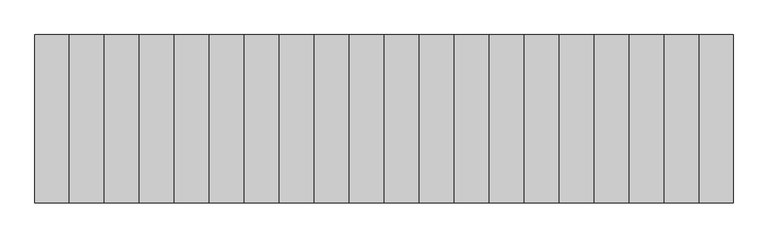
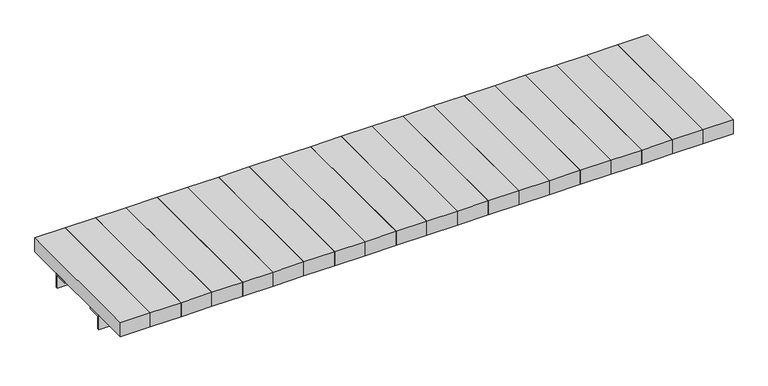
"""IFC4 building model written with IfcOpenShell, lengths in millimetres: furniture geometry."""

from ifc_helpers import new_model, si_unit, point, frame, frame_2d, origin, origin_with_axes, place, context, project, spatial, polyline, circle_curve, trimmed, segment, composite_curve, outline, extrude, source, transform, mapped, element, save


def furniture_27bdd92a(model_context):
    return source(origin(), model_context, "Body", "SweptSolid", [
        extrude(outline(polyline([(83.0, -200.0), (0.0, -200.0), (0.0, 200.0), (83.0, 200.0), (83.0, -200.0)])), frame((0.0, 0.0, 41.0), z_axis=(0.0, 0.0, 1.0), x_axis=(1.0, 0.0, 0.0)), (0.0, 0.0, 1.0), 40.0),
        extrude(outline(polyline([(166.0, -200.0), (83.0, -200.0), (83.0, 200.0), (166.0, 200.0), (166.0, -200.0)])), frame((0.0, 0.0, 41.0), z_axis=(0.0, 0.0, 1.0), x_axis=(1.0, 0.0, 0.0)), (0.0, 0.0, 1.0), 40.0),
        extrude(outline(polyline([(249.0, -200.0), (166.0, -200.0), (166.0, 200.0), (249.0, 200.0), (249.0, -200.0)])), frame((0.0, 0.0, 41.0), z_axis=(0.0, 0.0, 1.0), x_axis=(1.0, 0.0, 0.0)), (0.0, 0.0, 1.0), 40.0),
        extrude(outline(polyline([(332.0, -200.0), (249.0, -200.0), (249.0, 200.0), (332.0, 200.0), (332.0, -200.0)])), frame((0.0, 0.0, 41.0), z_axis=(0.0, 0.0, 1.0), x_axis=(1.0, 0.0, 0.0)), (0.0, 0.0, 1.0), 40.0),
        extrude(outline(polyline([(415.0, -200.0), (332.0, -200.0), (332.0, 200.0), (415.0, 200.0), (415.0, -200.0)])), frame((0.0, 0.0, 41.0), z_axis=(0.0, 0.0, 1.0), x_axis=(1.0, 0.0, 0.0)), (0.0, 0.0, 1.0), 40.0),
        extrude(outline(polyline([(498.0, -200.0), (415.0, -200.0), (415.0, 200.0), (498.0, 200.0), (498.0, -200.0)])), frame((0.0, 0.0, 41.0), z_axis=(0.0, 0.0, 1.0), x_axis=(1.0, 0.0, 0.0)), (0.0, 0.0, 1.0), 40.0),
        extrude(outline(polyline([(581.0, -200.0), (498.0, -200.0), (498.0, 200.0), (581.0, 200.0), (581.0, -200.0)])), frame((0.0, 0.0, 41.0), z_axis=(0.0, 0.0, 1.0), x_axis=(1.0, 0.0, 0.0)), (0.0, 0.0, 1.0), 40.0),
        extrude(outline(polyline([(664.0, -200.0), (581.0, -200.0), (581.0, 200.0), (664.0, 200.0), (664.0, -200.0)])), frame((0.0, 0.0, 41.0), z_axis=(0.0, 0.0, 1.0), x_axis=(1.0, 0.0, 0.0)), (0.0, 0.0, 1.0), 40.0),
        extrude(outline(polyline([(747.0, -200.0), (664.0, -200.0), (664.0, 200.0), (747.0, 200.0), (747.0, -200.0)])), frame((0.0, 0.0, 41.0), z_axis=(0.0, 0.0, 1.0), x_axis=(1.0, 0.0, 0.0)), (0.0, 0.0, 1.0), 40.0),
        extrude(outline(polyline([(828.5, -200.0), (747.0, -200.0), (747.0, 200.0), (828.5, 200.0), (828.5, -200.0)])), frame((0.0, 0.0, 41.0), z_axis=(0.0, 0.0, 1.0), x_axis=(1.0, 0.0, 0.0)), (0.0, 0.0, 1.0), 40.0),
        extrude(outline(polyline([(30.0, -518.4282032), (18.0, -525.3564065), (6.0, -518.4282032), (6.0, -504.5717968), (18.0, -497.6435935), (30.0, -504.5717968), (30.0, -518.4282032)])), frame((0.0, -114.9106263, 0.0), z_axis=(0.0, 1.0, 0.0), x_axis=(0.0, 0.0, 1.0)), (0.0, 0.0, 1.0), 14.9106263),
        extrude(outline(polyline([(30.0, 518.4282032), (30.0, 504.5717968), (18.0, 497.6435935), (6.0, 504.5717968), (6.0, 518.4282032), (18.0, 525.3564065), (30.0, 518.4282032)])), frame((0.0, -114.9106263, 0.0), z_axis=(0.0, 1.0, 0.0), x_axis=(0.0, 0.0, 1.0)), (0.0, 0.0, 1.0), 14.9106263),
        extrude(outline(composite_curve([segment(trimmed(circle_curve(frame_2d((18.0, -511.5)), 8.0115211), [point((18.0, -519.5115211))], [point((18.0, -503.4884789))], False, "CARTESIAN"), True, "CONTINUOUS"), segment(trimmed(circle_curve(frame_2d((18.0, -511.5)), 8.0115211), [point((18.0, -503.4884789))], [point((18.0, -519.5115211))], False, "CARTESIAN"), True, "CONTINUOUS")], self_intersect=False)), frame((0.0, 100.0, 0.0), z_axis=(0.0, 1.0, 0.0), x_axis=(0.0, 0.0, 1.0)), (0.0, 0.0, 1.0), 82.0),
        extrude(outline(composite_curve([segment(trimmed(circle_curve(frame_2d((18.0, 511.5)), 8.0115211), [point((18.0, 519.5115211))], [point((18.0, 503.4884789))], False, "CARTESIAN"), True, "CONTINUOUS"), segment(trimmed(circle_curve(frame_2d((18.0, 511.5)), 8.0115211), [point((18.0, 503.4884789))], [point((18.0, 519.5115211))], False, "CARTESIAN"), True, "CONTINUOUS")], self_intersect=False)), frame((0.0, 100.0, 0.0), z_axis=(0.0, 1.0, 0.0), x_axis=(0.0, 0.0, 1.0)), (0.0, 0.0, 1.0), 82.0),
        extrude(outline(composite_curve([segment(trimmed(circle_curve(frame_2d((18.0, -511.5)), 12.0), [point((18.0, -523.5))], [point((18.0, -499.5))], False, "CARTESIAN"), True, "CONTINUOUS"), segment(trimmed(circle_curve(frame_2d((18.0, -511.5)), 12.0), [point((18.0, -499.5))], [point((18.0, -523.5))], False, "CARTESIAN"), True, "CONTINUOUS")], self_intersect=False)), frame((0.0, -95.0, 0.0), z_axis=(0.0, 1.0, 0.0), x_axis=(0.0, 0.0, 1.0)), (0.0, 0.0, 1.0), 190.0),
        extrude(outline(composite_curve([segment(trimmed(circle_curve(frame_2d((18.0, 511.5)), 12.0), [point((18.0, 523.5))], [point((18.0, 499.5))], False, "CARTESIAN"), True, "CONTINUOUS"), segment(trimmed(circle_curve(frame_2d((18.0, 511.5)), 12.0), [point((18.0, 499.5))], [point((18.0, 523.5))], False, "CARTESIAN"), True, "CONTINUOUS")], self_intersect=False)), frame((0.0, -95.0, 0.0), z_axis=(0.0, 1.0, 0.0), x_axis=(0.0, 0.0, 1.0)), (0.0, 0.0, 1.0), 190.0),
        extrude(outline(polyline([(-476.5, 190.0), (-476.5, 100.0), (-546.5, 100.0), (-546.5, 190.0), (-476.5, 190.0)]), holes=[composite_curve([segment(trimmed(circle_curve(frame_2d((-486.4821434, 175.0298887)), 6.0), [point((-492.4821434, 175.0298887))], [point((-480.4821434, 175.0298887))], True, "CARTESIAN"), True, "CONTINUOUS"), segment(trimmed(circle_curve(frame_2d((-486.4821434, 175.0298887)), 6.0), [point((-480.4821434, 175.0298887))], [point((-492.4821434, 175.0298887))], True, "CARTESIAN"), True, "CONTINUOUS")], self_intersect=False), composite_curve([segment(trimmed(circle_curve(frame_2d((-486.4821434, 115.0298887)), 6.0), [point((-492.4821434, 115.0298887))], [point((-480.4821434, 115.0298887))], True, "CARTESIAN"), True, "CONTINUOUS"), segment(trimmed(circle_curve(frame_2d((-486.4821434, 115.0298887)), 6.0), [point((-480.4821434, 115.0298887))], [point((-492.4821434, 115.0298887))], True, "CARTESIAN"), True, "CONTINUOUS")], self_intersect=False), composite_curve([segment(trimmed(circle_curve(frame_2d((-536.4821434, 175.0298887)), 6.0), [point((-542.4821434, 175.0298887))], [point((-530.4821434, 175.0298887))], True, "CARTESIAN"), True, "CONTINUOUS"), segment(trimmed(circle_curve(frame_2d((-536.4821434, 175.0298887)), 6.0), [point((-530.4821434, 175.0298887))], [point((-542.4821434, 175.0298887))], True, "CARTESIAN"), True, "CONTINUOUS")], self_intersect=False), composite_curve([segment(trimmed(circle_curve(frame_2d((-536.4821434, 115.0298887)), 6.0), [point((-542.4821434, 115.0298887))], [point((-530.4821434, 115.0298887))], True, "CARTESIAN"), True, "CONTINUOUS"), segment(trimmed(circle_curve(frame_2d((-536.4821434, 115.0298887)), 6.0), [point((-530.4821434, 115.0298887))], [point((-542.4821434, 115.0298887))], True, "CARTESIAN"), True, "CONTINUOUS")], self_intersect=False)]), origin_with_axes(), (0.0, 0.0, 1.0), 10.0),
        extrude(outline(polyline([(476.5, 190.0), (546.5, 190.0), (546.5, 100.0), (476.5, 100.0), (476.5, 190.0)]), holes=[composite_curve([segment(trimmed(circle_curve(frame_2d((486.4821434, 175.0298887)), 6.0), [point((492.4821434, 175.0298887))], [point((480.4821434, 175.0298887))], True, "CARTESIAN"), True, "CONTINUOUS"), segment(trimmed(circle_curve(frame_2d((486.4821434, 175.0298887)), 6.0), [point((480.4821434, 175.0298887))], [point((492.4821434, 175.0298887))], True, "CARTESIAN"), True, "CONTINUOUS")], self_intersect=False), composite_curve([segment(trimmed(circle_curve(frame_2d((486.4821434, 115.0298887)), 6.0), [point((492.4821434, 115.0298887))], [point((480.4821434, 115.0298887))], True, "CARTESIAN"), True, "CONTINUOUS"), segment(trimmed(circle_curve(frame_2d((486.4821434, 115.0298887)), 6.0), [point((480.4821434, 115.0298887))], [point((492.4821434, 115.0298887))], True, "CARTESIAN"), True, "CONTINUOUS")], self_intersect=False), composite_curve([segment(trimmed(circle_curve(frame_2d((536.4821434, 175.0298887)), 6.0), [point((542.4821434, 175.0298887))], [point((530.4821434, 175.0298887))], True, "CARTESIAN"), True, "CONTINUOUS"), segment(trimmed(circle_curve(frame_2d((536.4821434, 175.0298887)), 6.0), [point((530.4821434, 175.0298887))], [point((542.4821434, 175.0298887))], True, "CARTESIAN"), True, "CONTINUOUS")], self_intersect=False), composite_curve([segment(trimmed(circle_curve(frame_2d((536.4821434, 115.0298887)), 6.0), [point((542.4821434, 115.0298887))], [point((530.4821434, 115.0298887))], True, "CARTESIAN"), True, "CONTINUOUS"), segment(trimmed(circle_curve(frame_2d((536.4821434, 115.0298887)), 6.0), [point((530.4821434, 115.0298887))], [point((542.4821434, 115.0298887))], True, "CARTESIAN"), True, "CONTINUOUS")], self_intersect=False)]), origin_with_axes(), (0.0, 0.0, 1.0), 10.0),
        extrude(outline(polyline([(100.0, 41.0), (100.0, 0.0), (95.0, 0.0), (95.0, 36.0), (60.0, 36.0), (60.0, 41.0), (100.0, 41.0)])), frame((-828.5, 0.0, 0.0), z_axis=(1.0, 0.0, 0.0), x_axis=(0.0, 1.0, 0.0)), (0.0, 0.0, 1.0), 1657.0),
        extrude(outline(polyline([(0.0, -200.0), (-83.0, -200.0), (-83.0, 200.0), (0.0, 200.0), (0.0, -200.0)])), frame((0.0, 0.0, 41.0), z_axis=(0.0, 0.0, 1.0), x_axis=(1.0, 0.0, 0.0)), (0.0, 0.0, 1.0), 40.0),
        extrude(outline(polyline([(-83.0, -200.0), (-166.0, -200.0), (-166.0, 200.0), (-83.0, 200.0), (-83.0, -200.0)])), frame((0.0, 0.0, 41.0), z_axis=(0.0, 0.0, 1.0), x_axis=(1.0, 0.0, 0.0)), (0.0, 0.0, 1.0), 40.0),
        extrude(outline(polyline([(-166.0, -200.0), (-249.0, -200.0), (-249.0, 200.0), (-166.0, 200.0), (-166.0, -200.0)])), frame((0.0, 0.0, 41.0), z_axis=(0.0, 0.0, 1.0), x_axis=(1.0, 0.0, 0.0)), (0.0, 0.0, 1.0), 40.0),
        extrude(outline(polyline([(-249.0, -200.0), (-332.0, -200.0), (-332.0, 200.0), (-249.0, 200.0), (-249.0, -200.0)])), frame((0.0, 0.0, 41.0), z_axis=(0.0, 0.0, 1.0), x_axis=(1.0, 0.0, 0.0)), (0.0, 0.0, 1.0), 40.0),
        extrude(outline(polyline([(-332.0, -200.0), (-415.0, -200.0), (-415.0, 200.0), (-332.0, 200.0), (-332.0, -200.0)])), frame((0.0, 0.0, 41.0), z_axis=(0.0, 0.0, 1.0), x_axis=(1.0, 0.0, 0.0)), (0.0, 0.0, 1.0), 40.0),
        extrude(outline(polyline([(-415.0, -200.0), (-498.0, -200.0), (-498.0, 200.0), (-415.0, 200.0), (-415.0, -200.0)])), frame((0.0, 0.0, 41.0), z_axis=(0.0, 0.0, 1.0), x_axis=(1.0, 0.0, 0.0)), (0.0, 0.0, 1.0), 40.0),
        extrude(outline(polyline([(-498.0, -200.0), (-581.0, -200.0), (-581.0, 200.0), (-498.0, 200.0), (-498.0, -200.0)])), frame((0.0, 0.0, 41.0), z_axis=(0.0, 0.0, 1.0), x_axis=(1.0, 0.0, 0.0)), (0.0, 0.0, 1.0), 40.0),
        extrude(outline(polyline([(-581.0, -200.0), (-664.0, -200.0), (-664.0, 200.0), (-581.0, 200.0), (-581.0, -200.0)])), frame((0.0, 0.0, 41.0), z_axis=(0.0, 0.0, 1.0), x_axis=(1.0, 0.0, 0.0)), (0.0, 0.0, 1.0), 40.0),
        extrude(outline(polyline([(-664.0, -200.0), (-747.0, -200.0), (-747.0, 200.0), (-664.0, 200.0), (-664.0, -200.0)])), frame((0.0, 0.0, 41.0), z_axis=(0.0, 0.0, 1.0), x_axis=(1.0, 0.0, 0.0)), (0.0, 0.0, 1.0), 40.0),
        extrude(outline(polyline([(-747.0, -200.0), (-828.5, -200.0), (-828.5, 200.0), (-747.0, 200.0), (-747.0, -200.0)])), frame((0.0, 0.0, 41.0), z_axis=(0.0, 0.0, 1.0), x_axis=(1.0, 0.0, 0.0)), (0.0, 0.0, 1.0), 40.0),
        extrude(outline(polyline([(-100.0, 41.0), (-60.0, 41.0), (-60.0, 36.0), (-95.0, 36.0), (-95.0, 0.0), (-100.0, 0.0), (-100.0, 41.0)])), frame((-828.5, 0.0, 0.0), z_axis=(1.0, 0.0, 0.0), x_axis=(0.0, 1.0, 0.0)), (0.0, 0.0, 1.0), 1657.0),
    ])


if __name__ == "__main__":
    model = new_model("IFC4")
    model_context = context("Model", 3, world=origin())
    ifc_project = project(units=[si_unit("LENGTHUNIT", "METRE", prefix="MILLI")], contexts=[model_context])
    site = spatial("IfcSite", under=ifc_project)
    building = spatial("IfcBuilding", under=site)
    placement = place(None, origin())
    furniture_shape = furniture_27bdd92a(model_context)
    element("IfcFurniture", 1, at=placement, inside=building, context=model_context, shape_type="MappedRepresentation", body=[
        mapped(furniture_shape, transform((0.0, 0.0, 0.0), x_axis=(1.0, 0.0, 0.0), y_axis=(0.0, 1.0, 0.0), z_axis=(0.0, 0.0, 1.0))),
    ])
    save(model, "model.ifc")
